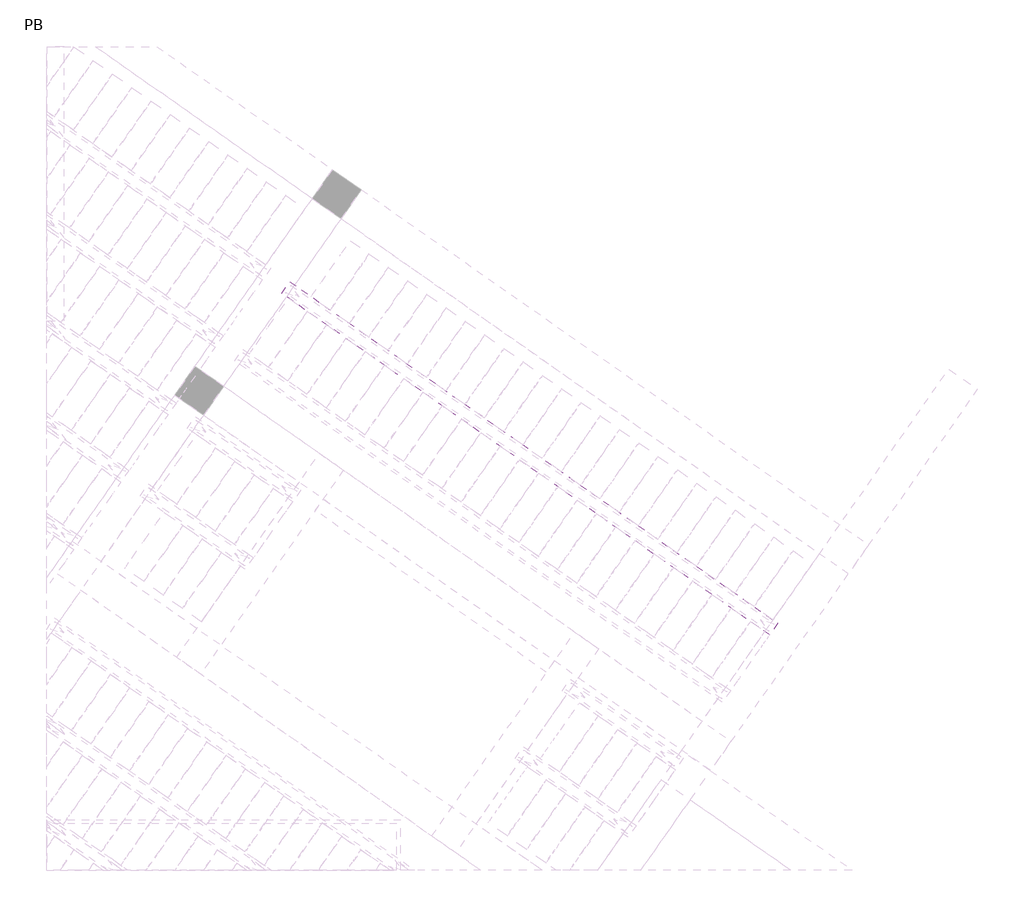
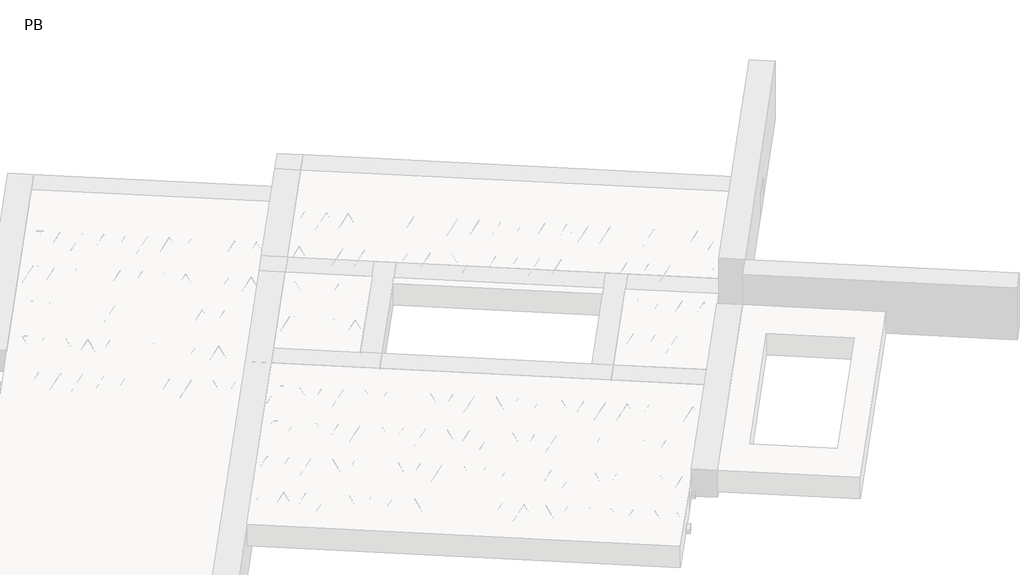
# One storey, part 47 of 56: 1 beam.
"""IFC4 building model written with IfcOpenShell, lengths in millimetres."""

from ifc_helpers import new_model, si_unit, point, frame, origin, origin_2d, place, context, project, spatial, polyline, circle_curve, trimmed, segment, composite_curve, outline, extrude, element, save

model = new_model("IFC4")

# Units and contexts
model_context = context("Model", 3, world=origin())
ifc_project = project(units=[si_unit("LENGTHUNIT", "METRE", prefix="MILLI")], contexts=[model_context])

# Site, building, storey
site = spatial("IfcSite", under=ifc_project)
building = spatial("IfcBuilding", under=site)
storey = spatial("IfcBuildingStorey", under=building, Name="PB", Elevation=95940.0)

# Beam
placement = place(None, origin())
element("IfcBeam", 1, at=placement, inside=storey, context=model_context, shape_type="SweptSolid", body=[
    extrude(outline(polyline([(6531.7713739, 8354.7518462), (6600.6005463, 8453.0500916), (10750.0594894, 5547.5676599), (10681.230317, 5449.2694146), (6531.7713739, 8354.7518462)])), frame((0.0, 0.0, 99220.0), z_axis=(0.0, 0.0, 1.0), x_axis=(1.0, 0.0, 0.0)), (0.0, 0.0, 1.0), 50.0),
    extrude(outline(composite_curve([segment(trimmed(circle_curve(origin_2d(), 2.5), [point((-2.4999999, 0.0))], [point((2.5, 0.0))], False, "CARTESIAN"), True, "CONTINUOUS"), segment(trimmed(circle_curve(origin_2d(), 2.5), [point((2.5, 0.0))], [point((-2.4999999, 0.0))], False, "CARTESIAN"), True, "CONTINUOUS")], self_intersect=False)), frame((10675.3365024, 5482.6948981, 99245.0), z_axis=(-0.8191520442696126, 0.5735764363787226, 0.0), x_axis=(0.5735764363787226, 0.8191520442696126, 0.0)), (0.0, 0.0, 1.0), 5017.554035),
    extrude(outline(composite_curve([segment(trimmed(circle_curve(origin_2d(), 2.5), [point((-2.5, 0.0))], [point((2.5, 0.0))], False, "CARTESIAN"), True, "CONTINUOUS"), segment(trimmed(circle_curve(origin_2d(), 2.5), [point((2.5, 0.0))], [point((-2.5, 0.0))], False, "CARTESIAN"), True, "CONTINUOUS")], self_intersect=False)), frame((10627.3591391, 5560.2368948, 99470.0), z_axis=(-0.8191520442696126, 0.5735764363787226, 0.0), x_axis=(0.5735764363787226, 0.8191520442696126, 0.0)), (0.0, 0.0, 1.0), 4850.0),
    extrude(outline(composite_curve([segment(trimmed(circle_curve(origin_2d(), 2.5), [point((-2.5, -1e-07))], [point((2.5, 0.0))], False, "CARTESIAN"), True, "CONTINUOUS"), segment(trimmed(circle_curve(origin_2d(), 2.5), [point((2.5, 0.0))], [point((-2.5, -1e-07))], False, "CARTESIAN"), True, "CONTINUOUS")], self_intersect=False)), frame((10668.1467907, 5487.7291885, 99245.0), z_axis=(-0.3145304735701046, 0.38933448886848654, 0.8657304643902053), x_axis=(0.7778747638402499, 0.6284193279813057, 0.0)), (0.0, 0.0, 1.0), 259.8961331),
    extrude(outline(composite_curve([segment(trimmed(circle_curve(origin_2d(), 2.5), [point((2.5000001, 0.0))], [point((-2.5, 0.0))], False, "CARTESIAN"), True, "CONTINUOUS"), segment(trimmed(circle_curve(origin_2d(), 2.5), [point((-2.5, 0.0))], [point((2.5000001, 0.0))], False, "CARTESIAN"), True, "CONTINUOUS")], self_intersect=False)), frame((10463.3587796, 5631.1232976, 99245.0), z_axis=(0.47343050384693375, -0.16240172737369005, 0.8657304643902051), x_axis=(-0.3244721671091268, -0.9458952440791246, 0.0)), (0.0, 0.0, 1.0), 259.8961331),
    extrude(outline(composite_curve([segment(trimmed(circle_curve(origin_2d(), 2.5), [point((-2.5, -1e-07))], [point((2.5, 0.0))], False, "CARTESIAN"), True, "CONTINUOUS"), segment(trimmed(circle_curve(origin_2d(), 2.5), [point((2.5, 0.0))], [point((-2.5, -1e-07))], False, "CARTESIAN"), True, "CONTINUOUS")], self_intersect=False)), frame((10463.3587796, 5631.1232976, 99245.0), z_axis=(-0.3145304735701046, 0.38933448886848654, 0.8657304643902053), x_axis=(0.7778747638402499, 0.6284193279813057, 0.0)), (0.0, 0.0, 1.0), 259.8961331),
    extrude(outline(composite_curve([segment(trimmed(circle_curve(origin_2d(), 2.5), [point((2.5000001, 0.0))], [point((-2.5, 0.0))], False, "CARTESIAN"), True, "CONTINUOUS"), segment(trimmed(circle_curve(origin_2d(), 2.5), [point((-2.5, 0.0))], [point((2.5000001, 0.0))], False, "CARTESIAN"), True, "CONTINUOUS")], self_intersect=False)), frame((10258.5707686, 5774.5174067, 99245.0), z_axis=(0.47343050384693375, -0.16240172737369005, 0.8657304643902051), x_axis=(-0.3244721671091268, -0.9458952440791246, 0.0)), (0.0, 0.0, 1.0), 259.8961331),
    extrude(outline(composite_curve([segment(trimmed(circle_curve(origin_2d(), 2.5), [point((-2.5, -1e-07))], [point((2.5, 0.0))], False, "CARTESIAN"), True, "CONTINUOUS"), segment(trimmed(circle_curve(origin_2d(), 2.5), [point((2.5, 0.0))], [point((-2.5, -1e-07))], False, "CARTESIAN"), True, "CONTINUOUS")], self_intersect=False)), frame((10258.5707686, 5774.5174067, 99245.0), z_axis=(-0.3145304735701046, 0.38933448886848654, 0.8657304643902053), x_axis=(0.7778747638402499, 0.6284193279813057, 0.0)), (0.0, 0.0, 1.0), 259.8961331),
    extrude(outline(composite_curve([segment(trimmed(circle_curve(origin_2d(), 2.5), [point((2.5, 0.0))], [point((-2.5000001, 0.0))], False, "CARTESIAN"), True, "CONTINUOUS"), segment(trimmed(circle_curve(origin_2d(), 2.5), [point((-2.5000001, 0.0))], [point((2.5, 0.0))], False, "CARTESIAN"), True, "CONTINUOUS")], self_intersect=False)), frame((10053.7827575, 5917.9115157, 99245.0), z_axis=(0.47343050384693375, -0.16240172737369005, 0.8657304643902051), x_axis=(-0.3244721671091268, -0.9458952440791246, 0.0)), (0.0, 0.0, 1.0), 259.8961331),
    extrude(outline(composite_curve([segment(trimmed(circle_curve(origin_2d(), 2.5), [point((-2.5, 0.0))], [point((2.5, 1e-07))], False, "CARTESIAN"), True, "CONTINUOUS"), segment(trimmed(circle_curve(origin_2d(), 2.5), [point((2.5, 1e-07))], [point((-2.5, 0.0))], False, "CARTESIAN"), True, "CONTINUOUS")], self_intersect=False)), frame((10053.7827575, 5917.9115157, 99245.0), z_axis=(-0.3145304735701046, 0.38933448886848654, 0.8657304643902053), x_axis=(0.7778747638402499, 0.6284193279813057, 0.0)), (0.0, 0.0, 1.0), 259.8961331),
    extrude(outline(composite_curve([segment(trimmed(circle_curve(origin_2d(), 2.5), [point((2.5, 0.0))], [point((-2.5000001, 0.0))], False, "CARTESIAN"), True, "CONTINUOUS"), segment(trimmed(circle_curve(origin_2d(), 2.5), [point((-2.5000001, 0.0))], [point((2.5, 0.0))], False, "CARTESIAN"), True, "CONTINUOUS")], self_intersect=False)), frame((9848.9947464, 6061.3056248, 99245.0), z_axis=(0.47343050384693375, -0.16240172737369005, 0.8657304643902051), x_axis=(-0.3244721671091268, -0.9458952440791246, 0.0)), (0.0, 0.0, 1.0), 259.8961331),
    extrude(outline(composite_curve([segment(trimmed(circle_curve(origin_2d(), 2.5), [point((-2.5000001, 1e-07))], [point((2.5, 0.0))], False, "CARTESIAN"), True, "CONTINUOUS"), segment(trimmed(circle_curve(origin_2d(), 2.5), [point((2.5, 0.0))], [point((-2.5000001, 1e-07))], False, "CARTESIAN"), True, "CONTINUOUS")], self_intersect=False)), frame((9848.9947468, 6061.3056246, 99245.0), z_axis=(-0.3145304735701046, 0.38933448886848654, 0.8657304643902053), x_axis=(0.7778747638402499, 0.6284193279813057, 0.0)), (0.0, 0.0, 1.0), 259.8961331),
    extrude(outline(composite_curve([segment(trimmed(circle_curve(origin_2d(), 2.5), [point((2.5, 0.0))], [point((-2.5, 0.0))], False, "CARTESIAN"), True, "CONTINUOUS"), segment(trimmed(circle_curve(origin_2d(), 2.5), [point((-2.5, 0.0))], [point((2.5, 0.0))], False, "CARTESIAN"), True, "CONTINUOUS")], self_intersect=False)), frame((9644.2067357, 6204.6997337, 99245.0), z_axis=(0.47343050384693375, -0.16240172737369005, 0.8657304643902051), x_axis=(-0.3244721671091268, -0.9458952440791246, 0.0)), (0.0, 0.0, 1.0), 259.8961331),
    extrude(outline(composite_curve([segment(trimmed(circle_curve(origin_2d(), 2.5), [point((-2.5, 0.0))], [point((2.5, 0.0))], False, "CARTESIAN"), True, "CONTINUOUS"), segment(trimmed(circle_curve(origin_2d(), 2.5), [point((2.5, 0.0))], [point((-2.5, 0.0))], False, "CARTESIAN"), True, "CONTINUOUS")], self_intersect=False)), frame((9644.2067357, 6204.6997337, 99245.0), z_axis=(-0.3145304735701046, 0.38933448886848654, 0.8657304643902053), x_axis=(0.7778747638402499, 0.6284193279813057, 0.0)), (0.0, 0.0, 1.0), 259.8961331),
    extrude(outline(composite_curve([segment(trimmed(circle_curve(origin_2d(), 2.5), [point((2.5, 0.0))], [point((-2.5, 0.0))], False, "CARTESIAN"), True, "CONTINUOUS"), segment(trimmed(circle_curve(origin_2d(), 2.5), [point((-2.5, 0.0))], [point((2.5, 0.0))], False, "CARTESIAN"), True, "CONTINUOUS")], self_intersect=False)), frame((9439.4187246, 6348.0938428, 99245.0), z_axis=(0.47343050384693375, -0.16240172737369005, 0.8657304643902051), x_axis=(-0.3244721671091268, -0.9458952440791246, 0.0)), (0.0, 0.0, 1.0), 259.8961331),
    extrude(outline(composite_curve([segment(trimmed(circle_curve(origin_2d(), 2.5), [point((-2.5, 0.0))], [point((2.5, 0.0))], False, "CARTESIAN"), True, "CONTINUOUS"), segment(trimmed(circle_curve(origin_2d(), 2.5), [point((2.5, 0.0))], [point((-2.5, 0.0))], False, "CARTESIAN"), True, "CONTINUOUS")], self_intersect=False)), frame((9439.4187246, 6348.0938428, 99245.0), z_axis=(-0.3145304735701046, 0.38933448886848654, 0.8657304643902053), x_axis=(0.7778747638402499, 0.6284193279813057, 0.0)), (0.0, 0.0, 1.0), 259.8961331),
    extrude(outline(composite_curve([segment(trimmed(circle_curve(origin_2d(), 2.5), [point((2.5, -1e-07))], [point((-2.5, 0.0))], False, "CARTESIAN"), True, "CONTINUOUS"), segment(trimmed(circle_curve(origin_2d(), 2.5), [point((-2.5, 0.0))], [point((2.5, -1e-07))], False, "CARTESIAN"), True, "CONTINUOUS")], self_intersect=False)), frame((9234.6307136, 6491.4879519, 99245.0), z_axis=(0.47343050384693375, -0.16240172737369005, 0.8657304643902051), x_axis=(-0.3244721671091268, -0.9458952440791246, 0.0)), (0.0, 0.0, 1.0), 259.8961331),
    extrude(outline(composite_curve([segment(trimmed(circle_curve(origin_2d(), 2.5), [point((-2.5000001, 1e-07))], [point((2.5, 0.0))], False, "CARTESIAN"), True, "CONTINUOUS"), segment(trimmed(circle_curve(origin_2d(), 2.5), [point((2.5, 0.0))], [point((-2.5000001, 1e-07))], False, "CARTESIAN"), True, "CONTINUOUS")], self_intersect=False)), frame((9234.6307136, 6491.4879519, 99245.0), z_axis=(-0.3145304735701046, 0.38933448886848654, 0.8657304643902053), x_axis=(0.7778747638402499, 0.6284193279813057, 0.0)), (0.0, 0.0, 1.0), 259.8961331),
    extrude(outline(composite_curve([segment(trimmed(circle_curve(origin_2d(), 2.5), [point((2.5, 0.0))], [point((-2.5, 0.0))], False, "CARTESIAN"), True, "CONTINUOUS"), segment(trimmed(circle_curve(origin_2d(), 2.5), [point((-2.5, 0.0))], [point((2.5, 0.0))], False, "CARTESIAN"), True, "CONTINUOUS")], self_intersect=False)), frame((9029.8427025, 6634.882061, 99245.0), z_axis=(0.47343050384693375, -0.16240172737369005, 0.8657304643902051), x_axis=(-0.3244721671091268, -0.9458952440791246, 0.0)), (0.0, 0.0, 1.0), 259.8961331),
    extrude(outline(composite_curve([segment(trimmed(circle_curve(origin_2d(), 2.5), [point((-2.5, 0.0))], [point((2.5, 0.0))], False, "CARTESIAN"), True, "CONTINUOUS"), segment(trimmed(circle_curve(origin_2d(), 2.5), [point((2.5, 0.0))], [point((-2.5, 0.0))], False, "CARTESIAN"), True, "CONTINUOUS")], self_intersect=False)), frame((9029.8427025, 6634.882061, 99245.0), z_axis=(-0.3145304735701046, 0.38933448886848654, 0.8657304643902053), x_axis=(0.7778747638402499, 0.6284193279813057, 0.0)), (0.0, 0.0, 1.0), 259.8961331),
    extrude(outline(composite_curve([segment(trimmed(circle_curve(origin_2d(), 2.5), [point((2.5, 0.0))], [point((-2.5, 0.0))], False, "CARTESIAN"), True, "CONTINUOUS"), segment(trimmed(circle_curve(origin_2d(), 2.5), [point((-2.5, 0.0))], [point((2.5, 0.0))], False, "CARTESIAN"), True, "CONTINUOUS")], self_intersect=False)), frame((8825.0546914, 6778.2761701, 99245.0), z_axis=(0.47343050384693375, -0.16240172737369005, 0.8657304643902051), x_axis=(-0.3244721671091268, -0.9458952440791246, 0.0)), (0.0, 0.0, 1.0), 259.8961331),
    extrude(outline(composite_curve([segment(trimmed(circle_curve(origin_2d(), 2.5), [point((-2.5, 0.0))], [point((2.5, 0.0))], False, "CARTESIAN"), True, "CONTINUOUS"), segment(trimmed(circle_curve(origin_2d(), 2.5), [point((2.5, 0.0))], [point((-2.5, 0.0))], False, "CARTESIAN"), True, "CONTINUOUS")], self_intersect=False)), frame((8825.0546914, 6778.2761701, 99245.0), z_axis=(-0.3145304735701046, 0.38933448886848654, 0.8657304643902053), x_axis=(0.7778747638402499, 0.6284193279813057, 0.0)), (0.0, 0.0, 1.0), 259.8961331),
    extrude(outline(composite_curve([segment(trimmed(circle_curve(origin_2d(), 2.5), [point((2.5, -1e-07))], [point((-2.5, 0.0))], False, "CARTESIAN"), True, "CONTINUOUS"), segment(trimmed(circle_curve(origin_2d(), 2.5), [point((-2.5, 0.0))], [point((2.5, -1e-07))], False, "CARTESIAN"), True, "CONTINUOUS")], self_intersect=False)), frame((8620.2666804, 6921.6702792, 99245.0), z_axis=(0.47343050384693375, -0.16240172737369005, 0.8657304643902051), x_axis=(-0.3244721671091268, -0.9458952440791246, 0.0)), (0.0, 0.0, 1.0), 259.8961331),
    extrude(outline(composite_curve([segment(trimmed(circle_curve(origin_2d(), 2.5), [point((-2.5000001, 1e-07))], [point((2.5, 0.0))], False, "CARTESIAN"), True, "CONTINUOUS"), segment(trimmed(circle_curve(origin_2d(), 2.5), [point((2.5, 0.0))], [point((-2.5000001, 1e-07))], False, "CARTESIAN"), True, "CONTINUOUS")], self_intersect=False)), frame((8620.2666804, 6921.6702792, 99245.0), z_axis=(-0.3145304735701046, 0.38933448886848654, 0.8657304643902053), x_axis=(0.7778747638402499, 0.6284193279813057, 0.0)), (0.0, 0.0, 1.0), 259.8961331),
    extrude(outline(composite_curve([segment(trimmed(circle_curve(origin_2d(), 2.5), [point((2.5, 0.0))], [point((-2.5, 0.0))], False, "CARTESIAN"), True, "CONTINUOUS"), segment(trimmed(circle_curve(origin_2d(), 2.5), [point((-2.5, 0.0))], [point((2.5, 0.0))], False, "CARTESIAN"), True, "CONTINUOUS")], self_intersect=False)), frame((8415.4786693, 7065.0643883, 99245.0), z_axis=(0.47343050384693375, -0.16240172737369005, 0.8657304643902051), x_axis=(-0.3244721671091268, -0.9458952440791246, 0.0)), (0.0, 0.0, 1.0), 259.8961331),
    extrude(outline(composite_curve([segment(trimmed(circle_curve(origin_2d(), 2.5), [point((-2.5, 0.0))], [point((2.5, 0.0))], False, "CARTESIAN"), True, "CONTINUOUS"), segment(trimmed(circle_curve(origin_2d(), 2.5), [point((2.5, 0.0))], [point((-2.5, 0.0))], False, "CARTESIAN"), True, "CONTINUOUS")], self_intersect=False)), frame((8415.4786693, 7065.0643883, 99245.0), z_axis=(-0.3145304735701046, 0.38933448886848654, 0.8657304643902053), x_axis=(0.7778747638402499, 0.6284193279813057, 0.0)), (0.0, 0.0, 1.0), 259.8961331),
    extrude(outline(composite_curve([segment(trimmed(circle_curve(origin_2d(), 2.5), [point((2.5, 0.0))], [point((-2.5, 0.0))], False, "CARTESIAN"), True, "CONTINUOUS"), segment(trimmed(circle_curve(origin_2d(), 2.5), [point((-2.5, 0.0))], [point((2.5, 0.0))], False, "CARTESIAN"), True, "CONTINUOUS")], self_intersect=False)), frame((8210.6906582, 7208.4584974, 99245.0), z_axis=(0.47343050384693375, -0.16240172737369005, 0.8657304643902051), x_axis=(-0.3244721671091268, -0.9458952440791246, 0.0)), (0.0, 0.0, 1.0), 259.8961331),
    extrude(outline(composite_curve([segment(trimmed(circle_curve(origin_2d(), 2.5), [point((-2.5, 0.0))], [point((2.5, 0.0))], False, "CARTESIAN"), True, "CONTINUOUS"), segment(trimmed(circle_curve(origin_2d(), 2.5), [point((2.5, 0.0))], [point((-2.5, 0.0))], False, "CARTESIAN"), True, "CONTINUOUS")], self_intersect=False)), frame((8210.6906582, 7208.4584974, 99245.0), z_axis=(-0.3145304735701046, 0.38933448886848654, 0.8657304643902053), x_axis=(0.7778747638402499, 0.6284193279813057, 0.0)), (0.0, 0.0, 1.0), 259.8961331),
    extrude(outline(composite_curve([segment(trimmed(circle_curve(origin_2d(), 2.5), [point((2.5, -1e-07))], [point((-2.5, 0.0))], False, "CARTESIAN"), True, "CONTINUOUS"), segment(trimmed(circle_curve(origin_2d(), 2.5), [point((-2.5, 0.0))], [point((2.5, -1e-07))], False, "CARTESIAN"), True, "CONTINUOUS")], self_intersect=False)), frame((8005.9026472, 7351.8526065, 99245.0), z_axis=(0.47343050384693375, -0.16240172737369005, 0.8657304643902051), x_axis=(-0.3244721671091268, -0.9458952440791246, 0.0)), (0.0, 0.0, 1.0), 259.8961331),
    extrude(outline(composite_curve([segment(trimmed(circle_curve(origin_2d(), 2.5), [point((-2.5, -1e-07))], [point((2.5000001, -1e-07))], False, "CARTESIAN"), True, "CONTINUOUS"), segment(trimmed(circle_curve(origin_2d(), 2.5), [point((2.5000001, -1e-07))], [point((-2.5, -1e-07))], False, "CARTESIAN"), True, "CONTINUOUS")], self_intersect=False)), frame((8005.9026471, 7351.8526065, 99245.0), z_axis=(-0.3145304735701046, 0.38933448886848654, 0.8657304643902053), x_axis=(0.7778747638402499, 0.6284193279813057, 0.0)), (0.0, 0.0, 1.0), 259.8961331),
    extrude(outline(composite_curve([segment(trimmed(circle_curve(origin_2d(), 2.5), [point((2.5, 0.0))], [point((-2.5, 0.0))], False, "CARTESIAN"), True, "CONTINUOUS"), segment(trimmed(circle_curve(origin_2d(), 2.5), [point((-2.5, 0.0))], [point((2.5, 0.0))], False, "CARTESIAN"), True, "CONTINUOUS")], self_intersect=False)), frame((7801.1146361, 7495.2467156, 99245.0), z_axis=(0.47343050384693375, -0.16240172737369005, 0.8657304643902051), x_axis=(-0.3244721671091268, -0.9458952440791246, 0.0)), (0.0, 0.0, 1.0), 259.8961331),
    extrude(outline(composite_curve([segment(trimmed(circle_curve(origin_2d(), 2.5), [point((-2.5, -1e-07))], [point((2.5, 0.0))], False, "CARTESIAN"), True, "CONTINUOUS"), segment(trimmed(circle_curve(origin_2d(), 2.5), [point((2.5, 0.0))], [point((-2.5, -1e-07))], False, "CARTESIAN"), True, "CONTINUOUS")], self_intersect=False)), frame((7801.1146361, 7495.2467156, 99245.0), z_axis=(-0.3145304735701046, 0.38933448886848654, 0.8657304643902053), x_axis=(0.7778747638402499, 0.6284193279813057, 0.0)), (0.0, 0.0, 1.0), 259.8961331),
    extrude(outline(composite_curve([segment(trimmed(circle_curve(origin_2d(), 2.5), [point((2.5000001, 0.0))], [point((-2.5, 0.0))], False, "CARTESIAN"), True, "CONTINUOUS"), segment(trimmed(circle_curve(origin_2d(), 2.5), [point((-2.5, 0.0))], [point((2.5000001, 0.0))], False, "CARTESIAN"), True, "CONTINUOUS")], self_intersect=False)), frame((7596.326625, 7638.6408247, 99245.0), z_axis=(0.47343050384693375, -0.16240172737369005, 0.8657304643902051), x_axis=(-0.3244721671091268, -0.9458952440791246, 0.0)), (0.0, 0.0, 1.0), 259.8961331),
    extrude(outline(composite_curve([segment(trimmed(circle_curve(origin_2d(), 2.5), [point((-2.5, -1e-07))], [point((2.5, 0.0))], False, "CARTESIAN"), True, "CONTINUOUS"), segment(trimmed(circle_curve(origin_2d(), 2.5), [point((2.5, 0.0))], [point((-2.5, -1e-07))], False, "CARTESIAN"), True, "CONTINUOUS")], self_intersect=False)), frame((7596.326625, 7638.6408247, 99245.0), z_axis=(-0.3145304735701046, 0.38933448886848654, 0.8657304643902053), x_axis=(0.7778747638402499, 0.6284193279813057, 0.0)), (0.0, 0.0, 1.0), 259.8961331),
    extrude(outline(composite_curve([segment(trimmed(circle_curve(origin_2d(), 2.5), [point((2.5000001, 0.0))], [point((-2.5, 1e-07))], False, "CARTESIAN"), True, "CONTINUOUS"), segment(trimmed(circle_curve(origin_2d(), 2.5), [point((-2.5, 1e-07))], [point((2.5000001, 0.0))], False, "CARTESIAN"), True, "CONTINUOUS")], self_intersect=False)), frame((7391.5386139, 7782.0349338, 99245.0), z_axis=(0.47343050384693375, -0.16240172737369005, 0.8657304643902051), x_axis=(-0.3244721671091268, -0.9458952440791246, 0.0)), (0.0, 0.0, 1.0), 259.8961331),
    extrude(outline(composite_curve([segment(trimmed(circle_curve(origin_2d(), 2.5), [point((-2.5, -1e-07))], [point((2.5000001, -1e-07))], False, "CARTESIAN"), True, "CONTINUOUS"), segment(trimmed(circle_curve(origin_2d(), 2.5), [point((2.5000001, -1e-07))], [point((-2.5, -1e-07))], False, "CARTESIAN"), True, "CONTINUOUS")], self_intersect=False)), frame((7391.5386139, 7782.0349338, 99245.0), z_axis=(-0.3145304735701046, 0.38933448886848654, 0.8657304643902053), x_axis=(0.7778747638402499, 0.6284193279813057, 0.0)), (0.0, 0.0, 1.0), 259.8961331),
    extrude(outline(composite_curve([segment(trimmed(circle_curve(origin_2d(), 2.5), [point((2.5, 0.0))], [point((-2.5000001, 0.0))], False, "CARTESIAN"), True, "CONTINUOUS"), segment(trimmed(circle_curve(origin_2d(), 2.5), [point((-2.5000001, 0.0))], [point((2.5, 0.0))], False, "CARTESIAN"), True, "CONTINUOUS")], self_intersect=False)), frame((7186.7506029, 7925.4290428, 99245.0), z_axis=(0.47343050384693375, -0.16240172737369005, 0.8657304643902051), x_axis=(-0.3244721671091268, -0.9458952440791246, 0.0)), (0.0, 0.0, 1.0), 259.8961331),
    extrude(outline(composite_curve([segment(trimmed(circle_curve(origin_2d(), 2.5), [point((-2.5, 0.0))], [point((2.5, 1e-07))], False, "CARTESIAN"), True, "CONTINUOUS"), segment(trimmed(circle_curve(origin_2d(), 2.5), [point((2.5, 1e-07))], [point((-2.5, 0.0))], False, "CARTESIAN"), True, "CONTINUOUS")], self_intersect=False)), frame((7186.7506029, 7925.4290428, 99245.0), z_axis=(-0.3145304735701046, 0.38933448886848654, 0.8657304643902053), x_axis=(0.7778747638402499, 0.6284193279813057, 0.0)), (0.0, 0.0, 1.0), 259.8961331),
    extrude(outline(composite_curve([segment(trimmed(circle_curve(origin_2d(), 2.5), [point((2.5, 0.0))], [point((-2.5000001, 0.0))], False, "CARTESIAN"), True, "CONTINUOUS"), segment(trimmed(circle_curve(origin_2d(), 2.5), [point((-2.5000001, 0.0))], [point((2.5, 0.0))], False, "CARTESIAN"), True, "CONTINUOUS")], self_intersect=False)), frame((6981.9625918, 8068.8231519, 99245.0), z_axis=(0.47343050384693375, -0.16240172737369005, 0.8657304643902051), x_axis=(-0.3244721671091268, -0.9458952440791246, 0.0)), (0.0, 0.0, 1.0), 259.8961331),
    extrude(outline(composite_curve([segment(trimmed(circle_curve(origin_2d(), 2.5), [point((-2.5, 0.0))], [point((2.5, 1e-07))], False, "CARTESIAN"), True, "CONTINUOUS"), segment(trimmed(circle_curve(origin_2d(), 2.5), [point((2.5, 1e-07))], [point((-2.5, 0.0))], False, "CARTESIAN"), True, "CONTINUOUS")], self_intersect=False)), frame((6981.9625918, 8068.8231519, 99245.0), z_axis=(-0.3145304735701046, 0.38933448886848654, 0.8657304643902053), x_axis=(0.7778747638402499, 0.6284193279813057, 0.0)), (0.0, 0.0, 1.0), 259.8961331),
    extrude(outline(composite_curve([segment(trimmed(circle_curve(origin_2d(), 2.5), [point((2.5, 0.0))], [point((-2.5, 1e-07))], False, "CARTESIAN"), True, "CONTINUOUS"), segment(trimmed(circle_curve(origin_2d(), 2.5), [point((-2.5, 1e-07))], [point((2.5, 0.0))], False, "CARTESIAN"), True, "CONTINUOUS")], self_intersect=False)), frame((6777.1745807, 8212.217261, 99245.0), z_axis=(0.47343050384693375, -0.16240172737369005, 0.8657304643902051), x_axis=(-0.3244721671091268, -0.9458952440791246, 0.0)), (0.0, 0.0, 1.0), 259.8961331),
    extrude(outline(composite_curve([segment(trimmed(circle_curve(origin_2d(), 2.5), [point((-2.5, 0.0))], [point((2.5000001, 0.0))], False, "CARTESIAN"), True, "CONTINUOUS"), segment(trimmed(circle_curve(origin_2d(), 2.5), [point((2.5000001, 0.0))], [point((-2.5, 0.0))], False, "CARTESIAN"), True, "CONTINUOUS")], self_intersect=False)), frame((6777.1745807, 8212.217261, 99245.0), z_axis=(-0.3145304735701046, 0.38933448886848654, 0.8657304643902053), x_axis=(0.7778747638402499, 0.6284193279813057, 0.0)), (0.0, 0.0, 1.0), 259.8961331),
    extrude(outline(composite_curve([segment(trimmed(circle_curve(origin_2d(), 2.5), [point((2.5, 0.0))], [point((-2.5, 0.0))], False, "CARTESIAN"), True, "CONTINUOUS"), segment(trimmed(circle_curve(origin_2d(), 2.5), [point((-2.5, 0.0))], [point((2.5, 0.0))], False, "CARTESIAN"), True, "CONTINUOUS")], self_intersect=False)), frame((6572.3865697, 8355.6113701, 99245.0), z_axis=(0.47343050384693375, -0.16240172737369005, 0.8657304643902051), x_axis=(-0.3244721671091268, -0.9458952440791246, 0.0)), (0.0, 0.0, 1.0), 259.8961331),
    extrude(outline(composite_curve([segment(trimmed(circle_curve(origin_2d(), 2.5), [point((-2.5, 0.0))], [point((2.5, 0.0))], False, "CARTESIAN"), True, "CONTINUOUS"), segment(trimmed(circle_curve(origin_2d(), 2.5), [point((2.5, 0.0))], [point((-2.5, 0.0))], False, "CARTESIAN"), True, "CONTINUOUS")], self_intersect=False)), frame((10716.6340059, 5541.6738453, 99245.0), z_axis=(-0.8191520442696126, 0.5735764363787226, 0.0), x_axis=(0.5735764363787226, 0.8191520442696126, 0.0)), (0.0, 0.0, 1.0), 5017.554035),
    extrude(outline(composite_curve([segment(trimmed(circle_curve(origin_2d(), 2.5), [point((-2.5, 0.0))], [point((2.5000001, 0.0))], False, "CARTESIAN"), True, "CONTINUOUS"), segment(trimmed(circle_curve(origin_2d(), 2.5), [point((2.5000001, 0.0))], [point((-2.5, 0.0))], False, "CARTESIAN"), True, "CONTINUOUS")], self_intersect=False)), frame((10709.4442941, 5546.7081356, 99245.0), z_axis=(-0.47343050384693375, 0.16240172737369005, 0.8657304643902051), x_axis=(0.3244721671091268, 0.9458952440791246, 0.0)), (0.0, 0.0, 1.0), 259.8961331),
    extrude(outline(composite_curve([segment(trimmed(circle_curve(origin_2d(), 2.5), [point((2.5, 0.0))], [point((-2.5000001, 0.0))], False, "CARTESIAN"), True, "CONTINUOUS"), segment(trimmed(circle_curve(origin_2d(), 2.5), [point((-2.5000001, 0.0))], [point((2.5, 0.0))], False, "CARTESIAN"), True, "CONTINUOUS")], self_intersect=False)), frame((10504.656283, 5690.1022447, 99245.0), z_axis=(0.3145304735701046, -0.38933448886848654, 0.8657304643902053), x_axis=(-0.7778747638402499, -0.6284193279813057, 0.0)), (0.0, 0.0, 1.0), 259.8961331),
    extrude(outline(composite_curve([segment(trimmed(circle_curve(origin_2d(), 2.5), [point((-2.5, 0.0))], [point((2.5000001, 0.0))], False, "CARTESIAN"), True, "CONTINUOUS"), segment(trimmed(circle_curve(origin_2d(), 2.5), [point((2.5000001, 0.0))], [point((-2.5, 0.0))], False, "CARTESIAN"), True, "CONTINUOUS")], self_intersect=False)), frame((10504.656283, 5690.1022447, 99245.0), z_axis=(-0.47343050384693375, 0.16240172737369005, 0.8657304643902051), x_axis=(0.3244721671091268, 0.9458952440791246, 0.0)), (0.0, 0.0, 1.0), 259.8961331),
    extrude(outline(composite_curve([segment(trimmed(circle_curve(origin_2d(), 2.5), [point((2.5, 0.0))], [point((-2.5, -1e-07))], False, "CARTESIAN"), True, "CONTINUOUS"), segment(trimmed(circle_curve(origin_2d(), 2.5), [point((-2.5, -1e-07))], [point((2.5, 0.0))], False, "CARTESIAN"), True, "CONTINUOUS")], self_intersect=False)), frame((10299.868272, 5833.4963538, 99245.0), z_axis=(0.3145304735701046, -0.38933448886848654, 0.8657304643902053), x_axis=(-0.7778747638402499, -0.6284193279813057, 0.0)), (0.0, 0.0, 1.0), 259.8961331),
    extrude(outline(composite_curve([segment(trimmed(circle_curve(origin_2d(), 2.5), [point((-2.5, 0.0))], [point((2.5000001, 0.0))], False, "CARTESIAN"), True, "CONTINUOUS"), segment(trimmed(circle_curve(origin_2d(), 2.5), [point((2.5000001, 0.0))], [point((-2.5, 0.0))], False, "CARTESIAN"), True, "CONTINUOUS")], self_intersect=False)), frame((10299.868272, 5833.4963538, 99245.0), z_axis=(-0.47343050384693375, 0.16240172737369005, 0.8657304643902051), x_axis=(0.3244721671091268, 0.9458952440791246, 0.0)), (0.0, 0.0, 1.0), 259.8961331),
    extrude(outline(composite_curve([segment(trimmed(circle_curve(origin_2d(), 2.5), [point((2.5, 0.0))], [point((-2.5, -1e-07))], False, "CARTESIAN"), True, "CONTINUOUS"), segment(trimmed(circle_curve(origin_2d(), 2.5), [point((-2.5, -1e-07))], [point((2.5, 0.0))], False, "CARTESIAN"), True, "CONTINUOUS")], self_intersect=False)), frame((10095.0802609, 5976.8904629, 99245.0), z_axis=(0.3145304735701046, -0.38933448886848654, 0.8657304643902053), x_axis=(-0.7778747638402499, -0.6284193279813057, 0.0)), (0.0, 0.0, 1.0), 259.8961331),
    extrude(outline(composite_curve([segment(trimmed(circle_curve(origin_2d(), 2.5), [point((-2.5, 0.0))], [point((2.5, 0.0))], False, "CARTESIAN"), True, "CONTINUOUS"), segment(trimmed(circle_curve(origin_2d(), 2.5), [point((2.5, 0.0))], [point((-2.5, 0.0))], False, "CARTESIAN"), True, "CONTINUOUS")], self_intersect=False)), frame((10095.0802609, 5976.8904629, 99245.0), z_axis=(-0.47343050384693375, 0.16240172737369005, 0.8657304643902051), x_axis=(0.3244721671091268, 0.9458952440791246, 0.0)), (0.0, 0.0, 1.0), 259.8961331),
    extrude(outline(composite_curve([segment(trimmed(circle_curve(origin_2d(), 2.5), [point((2.5, 0.0))], [point((-2.5000001, 0.0))], False, "CARTESIAN"), True, "CONTINUOUS"), segment(trimmed(circle_curve(origin_2d(), 2.5), [point((-2.5000001, 0.0))], [point((2.5, 0.0))], False, "CARTESIAN"), True, "CONTINUOUS")], self_intersect=False)), frame((9890.2922498, 6120.284572, 99245.0), z_axis=(0.3145304735701046, -0.38933448886848654, 0.8657304643902053), x_axis=(-0.7778747638402499, -0.6284193279813057, 0.0)), (0.0, 0.0, 1.0), 259.8961331),
    extrude(outline(composite_curve([segment(trimmed(circle_curve(origin_2d(), 2.5), [point((-2.5, 0.0))], [point((2.5, 0.0))], False, "CARTESIAN"), True, "CONTINUOUS"), segment(trimmed(circle_curve(origin_2d(), 2.5), [point((2.5, 0.0))], [point((-2.5, 0.0))], False, "CARTESIAN"), True, "CONTINUOUS")], self_intersect=False)), frame((9890.2922502, 6120.2845718, 99245.0), z_axis=(-0.47343050384693375, 0.16240172737369005, 0.8657304643902051), x_axis=(0.3244721671091268, 0.9458952440791246, 0.0)), (0.0, 0.0, 1.0), 259.8961331),
    extrude(outline(composite_curve([segment(trimmed(circle_curve(origin_2d(), 2.5), [point((2.5, 0.0))], [point((-2.5, 0.0))], False, "CARTESIAN"), True, "CONTINUOUS"), segment(trimmed(circle_curve(origin_2d(), 2.5), [point((-2.5, 0.0))], [point((2.5, 0.0))], False, "CARTESIAN"), True, "CONTINUOUS")], self_intersect=False)), frame((9685.5042391, 6263.6786809, 99245.0), z_axis=(0.3145304735701046, -0.38933448886848654, 0.8657304643902053), x_axis=(-0.7778747638402499, -0.6284193279813057, 0.0)), (0.0, 0.0, 1.0), 259.8961331),
    extrude(outline(composite_curve([segment(trimmed(circle_curve(origin_2d(), 2.5), [point((-2.5, 0.0))], [point((2.5, 0.0))], False, "CARTESIAN"), True, "CONTINUOUS"), segment(trimmed(circle_curve(origin_2d(), 2.5), [point((2.5, 0.0))], [point((-2.5, 0.0))], False, "CARTESIAN"), True, "CONTINUOUS")], self_intersect=False)), frame((9685.5042391, 6263.6786809, 99245.0), z_axis=(-0.47343050384693375, 0.16240172737369005, 0.8657304643902051), x_axis=(0.3244721671091268, 0.9458952440791246, 0.0)), (0.0, 0.0, 1.0), 259.8961331),
    extrude(outline(composite_curve([segment(trimmed(circle_curve(origin_2d(), 2.5), [point((2.5, 0.0))], [point((-2.5000001, 1e-07))], False, "CARTESIAN"), True, "CONTINUOUS"), segment(trimmed(circle_curve(origin_2d(), 2.5), [point((-2.5000001, 1e-07))], [point((2.5, 0.0))], False, "CARTESIAN"), True, "CONTINUOUS")], self_intersect=False)), frame((9480.716228, 6407.07279, 99245.0), z_axis=(0.3145304735701046, -0.38933448886848654, 0.8657304643902053), x_axis=(-0.7778747638402499, -0.6284193279813057, 0.0)), (0.0, 0.0, 1.0), 259.8961331),
    extrude(outline(composite_curve([segment(trimmed(circle_curve(origin_2d(), 2.5), [point((-2.5, 0.0))], [point((2.5, -1e-07))], False, "CARTESIAN"), True, "CONTINUOUS"), segment(trimmed(circle_curve(origin_2d(), 2.5), [point((2.5, -1e-07))], [point((-2.5, 0.0))], False, "CARTESIAN"), True, "CONTINUOUS")], self_intersect=False)), frame((9480.716228, 6407.07279, 99245.0), z_axis=(-0.47343050384693375, 0.16240172737369005, 0.8657304643902051), x_axis=(0.3244721671091268, 0.9458952440791246, 0.0)), (0.0, 0.0, 1.0), 259.8961331),
    extrude(outline(composite_curve([segment(trimmed(circle_curve(origin_2d(), 2.5), [point((2.5, 0.0))], [point((-2.5, 0.0))], False, "CARTESIAN"), True, "CONTINUOUS"), segment(trimmed(circle_curve(origin_2d(), 2.5), [point((-2.5, 0.0))], [point((2.5, 0.0))], False, "CARTESIAN"), True, "CONTINUOUS")], self_intersect=False)), frame((9275.928217, 6550.4668991, 99245.0), z_axis=(0.3145304735701046, -0.38933448886848654, 0.8657304643902053), x_axis=(-0.7778747638402499, -0.6284193279813057, 0.0)), (0.0, 0.0, 1.0), 259.8961331),
    extrude(outline(composite_curve([segment(trimmed(circle_curve(origin_2d(), 2.5), [point((-2.5, 0.0))], [point((2.5, 0.0))], False, "CARTESIAN"), True, "CONTINUOUS"), segment(trimmed(circle_curve(origin_2d(), 2.5), [point((2.5, 0.0))], [point((-2.5, 0.0))], False, "CARTESIAN"), True, "CONTINUOUS")], self_intersect=False)), frame((9275.928217, 6550.4668991, 99245.0), z_axis=(-0.47343050384693375, 0.16240172737369005, 0.8657304643902051), x_axis=(0.3244721671091268, 0.9458952440791246, 0.0)), (0.0, 0.0, 1.0), 259.8961331),
    extrude(outline(composite_curve([segment(trimmed(circle_curve(origin_2d(), 2.5), [point((2.5, 0.0))], [point((-2.5, 0.0))], False, "CARTESIAN"), True, "CONTINUOUS"), segment(trimmed(circle_curve(origin_2d(), 2.5), [point((-2.5, 0.0))], [point((2.5, 0.0))], False, "CARTESIAN"), True, "CONTINUOUS")], self_intersect=False)), frame((9071.1402059, 6693.8610082, 99245.0), z_axis=(0.3145304735701046, -0.38933448886848654, 0.8657304643902053), x_axis=(-0.7778747638402499, -0.6284193279813057, 0.0)), (0.0, 0.0, 1.0), 259.8961331),
    extrude(outline(composite_curve([segment(trimmed(circle_curve(origin_2d(), 2.5), [point((-2.5, 0.0))], [point((2.5, 0.0))], False, "CARTESIAN"), True, "CONTINUOUS"), segment(trimmed(circle_curve(origin_2d(), 2.5), [point((2.5, 0.0))], [point((-2.5, 0.0))], False, "CARTESIAN"), True, "CONTINUOUS")], self_intersect=False)), frame((9071.1402059, 6693.8610082, 99245.0), z_axis=(-0.47343050384693375, 0.16240172737369005, 0.8657304643902051), x_axis=(0.3244721671091268, 0.9458952440791246, 0.0)), (0.0, 0.0, 1.0), 259.8961331),
    extrude(outline(composite_curve([segment(trimmed(circle_curve(origin_2d(), 2.5), [point((2.5, 0.0))], [point((-2.5, 0.0))], False, "CARTESIAN"), True, "CONTINUOUS"), segment(trimmed(circle_curve(origin_2d(), 2.5), [point((-2.5, 0.0))], [point((2.5, 0.0))], False, "CARTESIAN"), True, "CONTINUOUS")], self_intersect=False)), frame((8866.3521948, 6837.2551173, 99245.0), z_axis=(0.3145304735701046, -0.38933448886848654, 0.8657304643902053), x_axis=(-0.7778747638402499, -0.6284193279813057, 0.0)), (0.0, 0.0, 1.0), 259.8961331),
    extrude(outline(composite_curve([segment(trimmed(circle_curve(origin_2d(), 2.5), [point((-2.5, 0.0))], [point((2.5, -1e-07))], False, "CARTESIAN"), True, "CONTINUOUS"), segment(trimmed(circle_curve(origin_2d(), 2.5), [point((2.5, -1e-07))], [point((-2.5, 0.0))], False, "CARTESIAN"), True, "CONTINUOUS")], self_intersect=False)), frame((8866.3521948, 6837.2551173, 99245.0), z_axis=(-0.47343050384693375, 0.16240172737369005, 0.8657304643902051), x_axis=(0.3244721671091268, 0.9458952440791246, 0.0)), (0.0, 0.0, 1.0), 259.8961331),
    extrude(outline(composite_curve([segment(trimmed(circle_curve(origin_2d(), 2.5), [point((2.5, 1e-07))], [point((-2.5, 0.0))], False, "CARTESIAN"), True, "CONTINUOUS"), segment(trimmed(circle_curve(origin_2d(), 2.5), [point((-2.5, 0.0))], [point((2.5, 1e-07))], False, "CARTESIAN"), True, "CONTINUOUS")], self_intersect=False)), frame((8661.5641838, 6980.6492264, 99245.0), z_axis=(0.3145304735701046, -0.38933448886848654, 0.8657304643902053), x_axis=(-0.7778747638402499, -0.6284193279813057, 0.0)), (0.0, 0.0, 1.0), 259.8961331),
    extrude(outline(composite_curve([segment(trimmed(circle_curve(origin_2d(), 2.5), [point((-2.5, 0.0))], [point((2.5, 0.0))], False, "CARTESIAN"), True, "CONTINUOUS"), segment(trimmed(circle_curve(origin_2d(), 2.5), [point((2.5, 0.0))], [point((-2.5, 0.0))], False, "CARTESIAN"), True, "CONTINUOUS")], self_intersect=False)), frame((8661.5641838, 6980.6492264, 99245.0), z_axis=(-0.47343050384693375, 0.16240172737369005, 0.8657304643902051), x_axis=(0.3244721671091268, 0.9458952440791246, 0.0)), (0.0, 0.0, 1.0), 259.8961331),
    extrude(outline(composite_curve([segment(trimmed(circle_curve(origin_2d(), 2.5), [point((2.5, 1e-07))], [point((-2.5, 0.0))], False, "CARTESIAN"), True, "CONTINUOUS"), segment(trimmed(circle_curve(origin_2d(), 2.5), [point((-2.5, 0.0))], [point((2.5, 1e-07))], False, "CARTESIAN"), True, "CONTINUOUS")], self_intersect=False)), frame((8456.7761727, 7124.0433355, 99245.0), z_axis=(0.3145304735701046, -0.38933448886848654, 0.8657304643902053), x_axis=(-0.7778747638402499, -0.6284193279813057, 0.0)), (0.0, 0.0, 1.0), 259.8961331),
    extrude(outline(composite_curve([segment(trimmed(circle_curve(origin_2d(), 2.5), [point((-2.5, 0.0))], [point((2.5, 0.0))], False, "CARTESIAN"), True, "CONTINUOUS"), segment(trimmed(circle_curve(origin_2d(), 2.5), [point((2.5, 0.0))], [point((-2.5, 0.0))], False, "CARTESIAN"), True, "CONTINUOUS")], self_intersect=False)), frame((8456.7761727, 7124.0433355, 99245.0), z_axis=(-0.47343050384693375, 0.16240172737369005, 0.8657304643902051), x_axis=(0.3244721671091268, 0.9458952440791246, 0.0)), (0.0, 0.0, 1.0), 259.8961331),
    extrude(outline(composite_curve([segment(trimmed(circle_curve(origin_2d(), 2.5), [point((2.5, 1e-07))], [point((-2.5, 0.0))], False, "CARTESIAN"), True, "CONTINUOUS"), segment(trimmed(circle_curve(origin_2d(), 2.5), [point((-2.5, 0.0))], [point((2.5, 1e-07))], False, "CARTESIAN"), True, "CONTINUOUS")], self_intersect=False)), frame((8251.9881616, 7267.4374446, 99245.0), z_axis=(0.3145304735701046, -0.38933448886848654, 0.8657304643902053), x_axis=(-0.7778747638402499, -0.6284193279813057, 0.0)), (0.0, 0.0, 1.0), 259.8961331),
    extrude(outline(composite_curve([segment(trimmed(circle_curve(origin_2d(), 2.5), [point((-2.5000001, 0.0))], [point((2.5, -1e-07))], False, "CARTESIAN"), True, "CONTINUOUS"), segment(trimmed(circle_curve(origin_2d(), 2.5), [point((2.5, -1e-07))], [point((-2.5000001, 0.0))], False, "CARTESIAN"), True, "CONTINUOUS")], self_intersect=False)), frame((8251.9881616, 7267.4374446, 99245.0), z_axis=(-0.47343050384693375, 0.16240172737369005, 0.8657304643902051), x_axis=(0.3244721671091268, 0.9458952440791246, 0.0)), (0.0, 0.0, 1.0), 259.8961331),
    extrude(outline(composite_curve([segment(trimmed(circle_curve(origin_2d(), 2.5), [point((2.5, 1e-07))], [point((-2.5, 0.0))], False, "CARTESIAN"), True, "CONTINUOUS"), segment(trimmed(circle_curve(origin_2d(), 2.5), [point((-2.5, 0.0))], [point((2.5, 1e-07))], False, "CARTESIAN"), True, "CONTINUOUS")], self_intersect=False)), frame((8047.2001506, 7410.8315537, 99245.0), z_axis=(0.3145304735701046, -0.38933448886848654, 0.8657304643902053), x_axis=(-0.7778747638402499, -0.6284193279813057, 0.0)), (0.0, 0.0, 1.0), 259.8961331),
    extrude(outline(composite_curve([segment(trimmed(circle_curve(origin_2d(), 2.5), [point((-2.5000001, 0.0))], [point((2.5, 0.0))], False, "CARTESIAN"), True, "CONTINUOUS"), segment(trimmed(circle_curve(origin_2d(), 2.5), [point((2.5, 0.0))], [point((-2.5000001, 0.0))], False, "CARTESIAN"), True, "CONTINUOUS")], self_intersect=False)), frame((8047.2001506, 7410.8315537, 99245.0), z_axis=(-0.47343050384693375, 0.16240172737369005, 0.8657304643902051), x_axis=(0.3244721671091268, 0.9458952440791246, 0.0)), (0.0, 0.0, 1.0), 259.8961331),
    extrude(outline(composite_curve([segment(trimmed(circle_curve(origin_2d(), 2.5), [point((2.5, 0.0))], [point((-2.5, -1e-07))], False, "CARTESIAN"), True, "CONTINUOUS"), segment(trimmed(circle_curve(origin_2d(), 2.5), [point((-2.5, -1e-07))], [point((2.5, 0.0))], False, "CARTESIAN"), True, "CONTINUOUS")], self_intersect=False)), frame((7842.4121395, 7554.2256627, 99245.0), z_axis=(0.3145304735701046, -0.38933448886848654, 0.8657304643902053), x_axis=(-0.7778747638402499, -0.6284193279813057, 0.0)), (0.0, 0.0, 1.0), 259.8961331),
    extrude(outline(composite_curve([segment(trimmed(circle_curve(origin_2d(), 2.5), [point((-2.5, 0.0))], [point((2.5000001, 0.0))], False, "CARTESIAN"), True, "CONTINUOUS"), segment(trimmed(circle_curve(origin_2d(), 2.5), [point((2.5000001, 0.0))], [point((-2.5, 0.0))], False, "CARTESIAN"), True, "CONTINUOUS")], self_intersect=False)), frame((7842.4121395, 7554.2256627, 99245.0), z_axis=(-0.47343050384693375, 0.16240172737369005, 0.8657304643902051), x_axis=(0.3244721671091268, 0.9458952440791246, 0.0)), (0.0, 0.0, 1.0), 259.8961331),
    extrude(outline(composite_curve([segment(trimmed(circle_curve(origin_2d(), 2.5), [point((2.5, 0.0))], [point((-2.5, -1e-07))], False, "CARTESIAN"), True, "CONTINUOUS"), segment(trimmed(circle_curve(origin_2d(), 2.5), [point((-2.5, -1e-07))], [point((2.5, 0.0))], False, "CARTESIAN"), True, "CONTINUOUS")], self_intersect=False)), frame((7637.6241284, 7697.6197718, 99245.0), z_axis=(0.3145304735701046, -0.38933448886848654, 0.8657304643902053), x_axis=(-0.7778747638402499, -0.6284193279813057, 0.0)), (0.0, 0.0, 1.0), 259.8961331),
    extrude(outline(composite_curve([segment(trimmed(circle_curve(origin_2d(), 2.5), [point((-2.5, 0.0))], [point((2.5000001, 0.0))], False, "CARTESIAN"), True, "CONTINUOUS"), segment(trimmed(circle_curve(origin_2d(), 2.5), [point((2.5000001, 0.0))], [point((-2.5, 0.0))], False, "CARTESIAN"), True, "CONTINUOUS")], self_intersect=False)), frame((7637.6241284, 7697.6197718, 99245.0), z_axis=(-0.47343050384693375, 0.16240172737369005, 0.8657304643902051), x_axis=(0.3244721671091268, 0.9458952440791246, 0.0)), (0.0, 0.0, 1.0), 259.8961331),
    extrude(outline(composite_curve([segment(trimmed(circle_curve(origin_2d(), 2.5), [point((2.5, 0.0))], [point((-2.5, -1e-07))], False, "CARTESIAN"), True, "CONTINUOUS"), segment(trimmed(circle_curve(origin_2d(), 2.5), [point((-2.5, -1e-07))], [point((2.5, 0.0))], False, "CARTESIAN"), True, "CONTINUOUS")], self_intersect=False)), frame((7432.8361174, 7841.0138809, 99245.0), z_axis=(0.3145304735701046, -0.38933448886848654, 0.8657304643902053), x_axis=(-0.7778747638402499, -0.6284193279813057, 0.0)), (0.0, 0.0, 1.0), 259.8961331),
    extrude(outline(composite_curve([segment(trimmed(circle_curve(origin_2d(), 2.5), [point((-2.5, 1e-07))], [point((2.5, 0.0))], False, "CARTESIAN"), True, "CONTINUOUS"), segment(trimmed(circle_curve(origin_2d(), 2.5), [point((2.5, 0.0))], [point((-2.5, 1e-07))], False, "CARTESIAN"), True, "CONTINUOUS")], self_intersect=False)), frame((7432.8361174, 7841.0138809, 99245.0), z_axis=(-0.47343050384693375, 0.16240172737369005, 0.8657304643902051), x_axis=(0.3244721671091268, 0.9458952440791246, 0.0)), (0.0, 0.0, 1.0), 259.8961331),
    extrude(outline(composite_curve([segment(trimmed(circle_curve(origin_2d(), 2.5), [point((2.5, 0.0))], [point((-2.5, -1e-07))], False, "CARTESIAN"), True, "CONTINUOUS"), segment(trimmed(circle_curve(origin_2d(), 2.5), [point((-2.5, -1e-07))], [point((2.5, 0.0))], False, "CARTESIAN"), True, "CONTINUOUS")], self_intersect=False)), frame((7228.0481063, 7984.40799, 99245.0), z_axis=(0.3145304735701046, -0.38933448886848654, 0.8657304643902053), x_axis=(-0.7778747638402499, -0.6284193279813057, 0.0)), (0.0, 0.0, 1.0), 259.8961331),
    extrude(outline(composite_curve([segment(trimmed(circle_curve(origin_2d(), 2.5), [point((-2.5, 0.0))], [point((2.5, 0.0))], False, "CARTESIAN"), True, "CONTINUOUS"), segment(trimmed(circle_curve(origin_2d(), 2.5), [point((2.5, 0.0))], [point((-2.5, 0.0))], False, "CARTESIAN"), True, "CONTINUOUS")], self_intersect=False)), frame((7228.0481063, 7984.40799, 99245.0), z_axis=(-0.47343050384693375, 0.16240172737369005, 0.8657304643902051), x_axis=(0.3244721671091268, 0.9458952440791246, 0.0)), (0.0, 0.0, 1.0), 259.8961331),
    extrude(outline(composite_curve([segment(trimmed(circle_curve(origin_2d(), 2.5), [point((2.5, 0.0))], [point((-2.5, 0.0))], False, "CARTESIAN"), True, "CONTINUOUS"), segment(trimmed(circle_curve(origin_2d(), 2.5), [point((-2.5, 0.0))], [point((2.5, 0.0))], False, "CARTESIAN"), True, "CONTINUOUS")], self_intersect=False)), frame((7023.2600952, 8127.8020991, 99245.0), z_axis=(0.3145304735701046, -0.38933448886848654, 0.8657304643902053), x_axis=(-0.7778747638402499, -0.6284193279813057, 0.0)), (0.0, 0.0, 1.0), 259.8961331),
    extrude(outline(composite_curve([segment(trimmed(circle_curve(origin_2d(), 2.5), [point((-2.5, 0.0))], [point((2.5, 0.0))], False, "CARTESIAN"), True, "CONTINUOUS"), segment(trimmed(circle_curve(origin_2d(), 2.5), [point((2.5, 0.0))], [point((-2.5, 0.0))], False, "CARTESIAN"), True, "CONTINUOUS")], self_intersect=False)), frame((7023.2600952, 8127.8020991, 99245.0), z_axis=(-0.47343050384693375, 0.16240172737369005, 0.8657304643902051), x_axis=(0.3244721671091268, 0.9458952440791246, 0.0)), (0.0, 0.0, 1.0), 259.8961331),
    extrude(outline(composite_curve([segment(trimmed(circle_curve(origin_2d(), 2.5), [point((2.5, 0.0))], [point((-2.5, 0.0))], False, "CARTESIAN"), True, "CONTINUOUS"), segment(trimmed(circle_curve(origin_2d(), 2.5), [point((-2.5, 0.0))], [point((2.5, 0.0))], False, "CARTESIAN"), True, "CONTINUOUS")], self_intersect=False)), frame((6818.4720842, 8271.1962082, 99245.0), z_axis=(0.3145304735701046, -0.38933448886848654, 0.8657304643902053), x_axis=(-0.7778747638402499, -0.6284193279813057, 0.0)), (0.0, 0.0, 1.0), 259.8961331),
    extrude(outline(composite_curve([segment(trimmed(circle_curve(origin_2d(), 2.5), [point((-2.5, 1e-07))], [point((2.5, 0.0))], False, "CARTESIAN"), True, "CONTINUOUS"), segment(trimmed(circle_curve(origin_2d(), 2.5), [point((2.5, 0.0))], [point((-2.5, 1e-07))], False, "CARTESIAN"), True, "CONTINUOUS")], self_intersect=False)), frame((6818.4720842, 8271.1962082, 99245.0), z_axis=(-0.47343050384693375, 0.16240172737369005, 0.8657304643902051), x_axis=(0.3244721671091268, 0.9458952440791246, 0.0)), (0.0, 0.0, 1.0), 259.8961331),
    extrude(outline(composite_curve([segment(trimmed(circle_curve(origin_2d(), 2.5), [point((2.5, 0.0))], [point((-2.5, 0.0))], False, "CARTESIAN"), True, "CONTINUOUS"), segment(trimmed(circle_curve(origin_2d(), 2.5), [point((-2.5, 0.0))], [point((2.5, 0.0))], False, "CARTESIAN"), True, "CONTINUOUS")], self_intersect=False)), frame((6613.6840731, 8414.5903173, 99245.0), z_axis=(0.3145304735701046, -0.38933448886848654, 0.8657304643902053), x_axis=(-0.7778747638402499, -0.6284193279813057, 0.0)), (0.0, 0.0, 1.0), 259.8961331),
])

save(model, "model.ifc")
